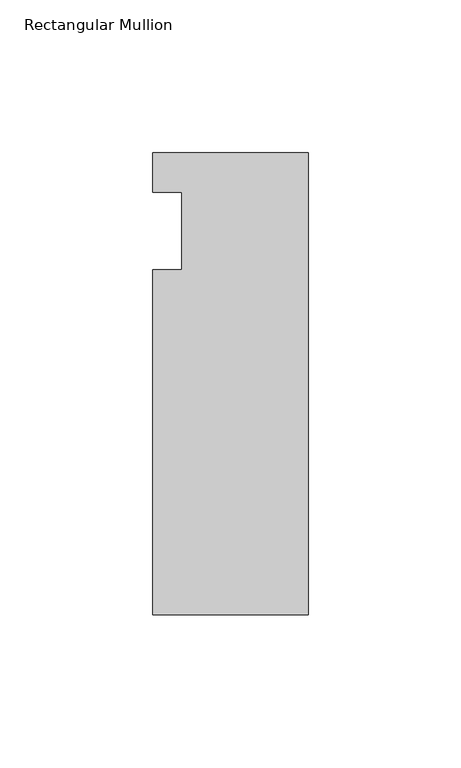
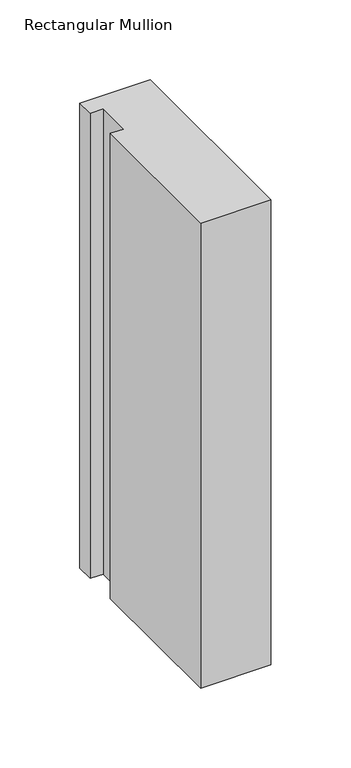
"""IFC4 building model written with IfcOpenShell, lengths in millimetres: member geometry, Rectangular Mullion."""

from ifc_helpers import new_model, si_unit, frame, origin, place, context, project, spatial, polyline, outline, extrude, source, transform, mapped, element, save


def rectangular_mullion_b3ff177e(model_context):
    return source(origin(), model_context, "Body", "SweptSolid", [
        extrude(outline(polyline([(-50.8, 25.5984375), (0.0, 25.5984375), (0.0, -125.6109375), (-50.8, -125.6109375), (-50.8, -12.7), (-41.275, -12.7), (-41.275, 12.7), (-50.8, 12.7), (-50.8, 25.5984375)])), frame((0.0, 0.0, -355.6), z_axis=(0.0, 0.0, 1.0), x_axis=(1.0, 0.0, 0.0)), (0.0, 0.0, 1.0), 355.6),
    ])


if __name__ == "__main__":
    model = new_model("IFC4")
    model_context = context("Model", 3, world=origin())
    ifc_project = project(units=[si_unit("LENGTHUNIT", "METRE", prefix="MILLI")], contexts=[model_context])
    site = spatial("IfcSite", under=ifc_project)
    building = spatial("IfcBuilding", under=site)
    placement = place(None, origin())
    rectangular_mullion_shape = rectangular_mullion_b3ff177e(model_context)
    element("IfcMember", 1, ObjectType="Rectangular Mullion", at=placement, inside=building, context=model_context, shape_type="MappedRepresentation", body=[
        mapped(rectangular_mullion_shape, transform((0.0, 0.0, 0.0), x_axis=(1.0, 0.0, 0.0), y_axis=(0.0, 1.0, 0.0), z_axis=(0.0, 0.0, 1.0))),
    ])
    save(model, "model.ifc")
